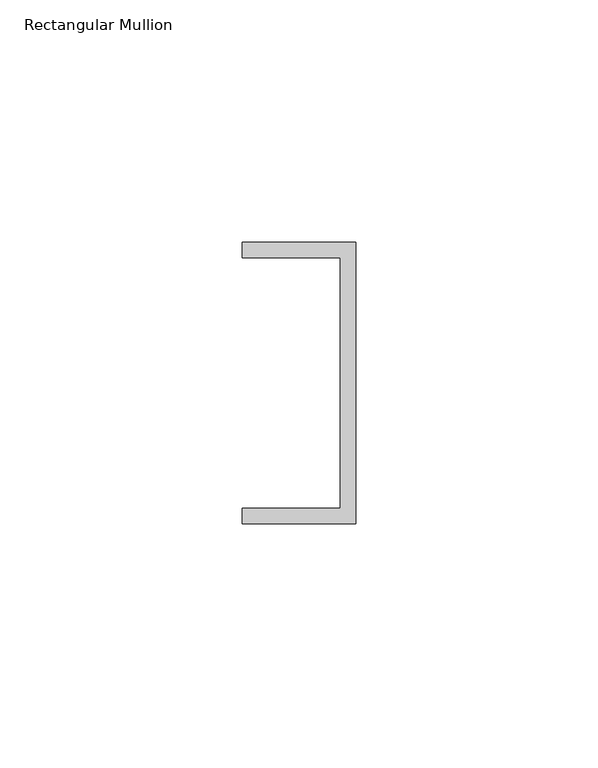
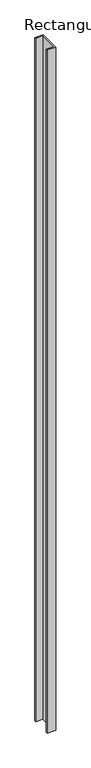
"""IFC4 building model written with IfcOpenShell, lengths in millimetres: member geometry, Rectangular Mullion."""

from ifc_helpers import new_model, si_unit, frame, origin, place, context, project, spatial, polyline, outline, extrude, source, transform, mapped, element, save


def rectangular_mullion_f0f61f1f(model_context):
    return source(origin(), model_context, "Body", "SweptSolid", [
        extrude(outline(polyline([(0.0, 29.0214844), (0.0, -29.0214844), (-23.3164063, -29.0214844), (-23.3164063, -25.8464844), (-3.175, -25.8464844), (-3.175, 25.8464844), (-23.3164063, 25.8464844), (-23.3164063, 29.0214844), (0.0, 29.0214844)])), frame((0.0, 0.0, -1976.040625), z_axis=(0.0, 0.0, 1.0), x_axis=(1.0, 0.0, 0.0)), (0.0, 0.0, 1.0), 1976.040625),
    ])


if __name__ == "__main__":
    model = new_model("IFC4")
    model_context = context("Model", 3, world=origin())
    ifc_project = project(units=[si_unit("LENGTHUNIT", "METRE", prefix="MILLI")], contexts=[model_context])
    site = spatial("IfcSite", under=ifc_project)
    building = spatial("IfcBuilding", under=site)
    placement = place(None, origin())
    rectangular_mullion_shape = rectangular_mullion_f0f61f1f(model_context)
    element("IfcMember", 1, ObjectType="Rectangular Mullion", at=placement, inside=building, context=model_context, shape_type="MappedRepresentation", body=[
        mapped(rectangular_mullion_shape, transform((0.0, 0.0, 0.0), x_axis=(1.0, 0.0, 0.0), y_axis=(0.0, 1.0, 0.0), z_axis=(0.0, 0.0, 1.0))),
    ])
    save(model, "model.ifc")
